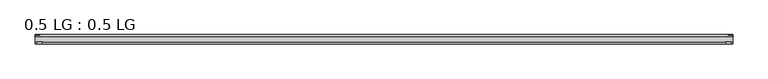
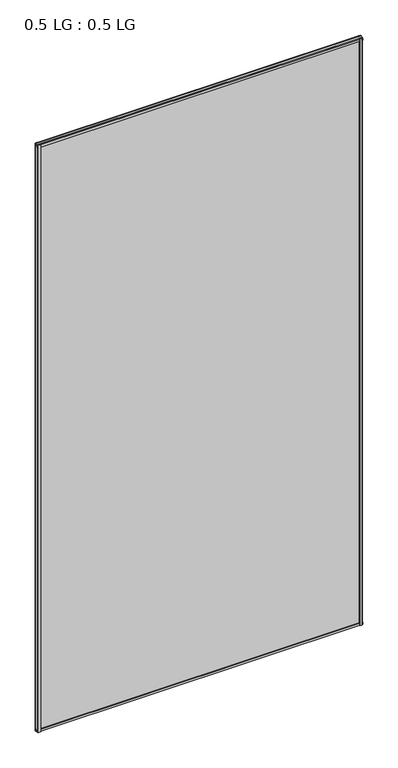
"""IFC4 building model written with IfcOpenShell, lengths in millimetres: plate geometry, 0.5 LG : 0.5 LG."""

from ifc_helpers import new_model, si_unit, frame, origin, origin_with_axes, place, context, project, spatial, polyline, outline, extrude, source, transform, mapped, element, save


def plate_0_5_lg_0_5_lg_a9df8a06(model_context):
    return source(origin(), model_context, "Body", "SweptSolid", [
        extrude(outline(polyline([(-843.2139513, 16.9767247), (-844.4235412, 21.828125), (-830.8660345, 21.828125), (-832.0756244, 16.9767247), (-843.2139513, 16.9767247)])), origin_with_axes(), (0.0, 0.0, 1.0), 3232.0224314),
        extrude(outline(polyline([(-848.6599387, 34.680525), (-847.4221258, 39.4557249), (-836.3096173, 39.4557249), (-835.0958142, 34.680525), (-848.6599387, 34.680525)])), origin_with_axes(), (0.0, 0.0, 1.0), 3232.0224314),
        extrude(outline(polyline([(843.2139513, 16.9767247), (832.0756244, 16.9767247), (830.8660345, 21.828125), (844.4235412, 21.828125), (843.2139513, 16.9767247)])), origin_with_axes(), (0.0, 0.0, 1.0), 3232.0224314),
        extrude(outline(polyline([(848.6599387, 34.680525), (835.0958142, 34.680525), (836.3096173, 39.4557249), (847.4221258, 39.4557249), (848.6599387, 34.680525)])), origin_with_axes(), (0.0, 0.0, 1.0), 3232.0224314),
        extrude(outline(polyline([(39.4569539, 11.124921), (39.4569539, 0.0005878), (34.680525, -1.2138382), (34.680525, 12.3392211), (39.4569539, 11.124921)])), frame((-847.4221258, 0.0, 0.0), z_axis=(1.0, 0.0, 0.0), x_axis=(0.0, 1.0, 0.0)), (0.0, 0.0, 1.0), 1694.8442516),
        extrude(outline(polyline([(16.9767101, 13.8303088), (21.828125, 15.0636853), (21.828125, 1.4714303), (16.9767101, 2.704584), (16.9767101, 13.8303088)])), frame((-847.4221258, 0.0, 0.0), z_axis=(1.0, 0.0, 0.0), x_axis=(0.0, 1.0, 0.0)), (0.0, 0.0, 1.0), 1694.8442516),
        extrude(outline(polyline([(39.4569539, 3220.8975104), (34.680525, 3219.6832103), (34.680525, 3233.2362696), (39.4569539, 3232.0218436), (39.4569539, 3220.8975104)])), frame((-847.4221258, 0.0, 0.0), z_axis=(1.0, 0.0, 0.0), x_axis=(0.0, 1.0, 0.0)), (0.0, 0.0, 1.0), 1694.8442516),
        extrude(outline(polyline([(16.9767101, 3218.1921226), (16.9767101, 3229.3178474), (21.828125, 3230.5510011), (21.828125, 3216.9587461), (16.9767101, 3218.1921226)])), frame((-847.4221258, 0.0, 0.0), z_axis=(1.0, 0.0, 0.0), x_axis=(0.0, 1.0, 0.0)), (0.0, 0.0, 1.0), 1694.8442516),
        extrude(outline(polyline([(847.4221258, 34.680525), (847.4221258, 21.828125), (-847.4221258, 21.828125), (-847.4221258, 34.680525), (847.4221258, 34.680525)])), origin_with_axes(), (0.0, 0.0, 1.0), 3232.0224314),
    ])


if __name__ == "__main__":
    model = new_model("IFC4")
    model_context = context("Model", 3, world=origin())
    ifc_project = project(units=[si_unit("LENGTHUNIT", "METRE", prefix="MILLI")], contexts=[model_context])
    site = spatial("IfcSite", under=ifc_project)
    building = spatial("IfcBuilding", under=site)
    placement = place(None, origin())
    plate_0_5_lg_0_5_lg_shape = plate_0_5_lg_0_5_lg_a9df8a06(model_context)
    element("IfcPlate", 1, ObjectType="0.5 LG : 0.5 LG", at=placement, inside=building, context=model_context, shape_type="MappedRepresentation", body=[
        mapped(plate_0_5_lg_0_5_lg_shape, transform((0.0, 0.0, 0.0), x_axis=(1.0, 0.0, 0.0), y_axis=(0.0, 1.0, 0.0), z_axis=(0.0, 0.0, 1.0))),
    ])
    save(model, "model.ifc")
